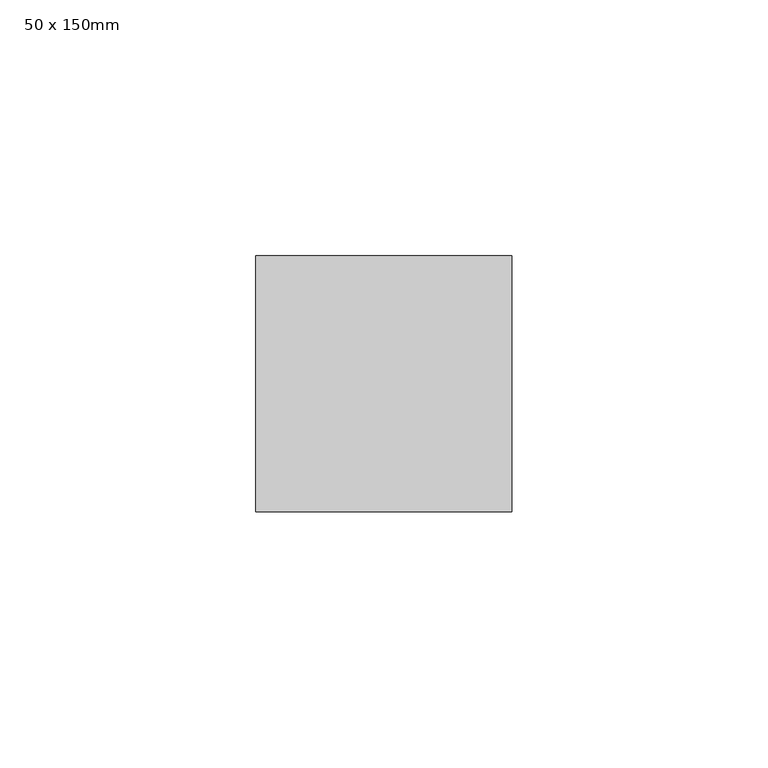
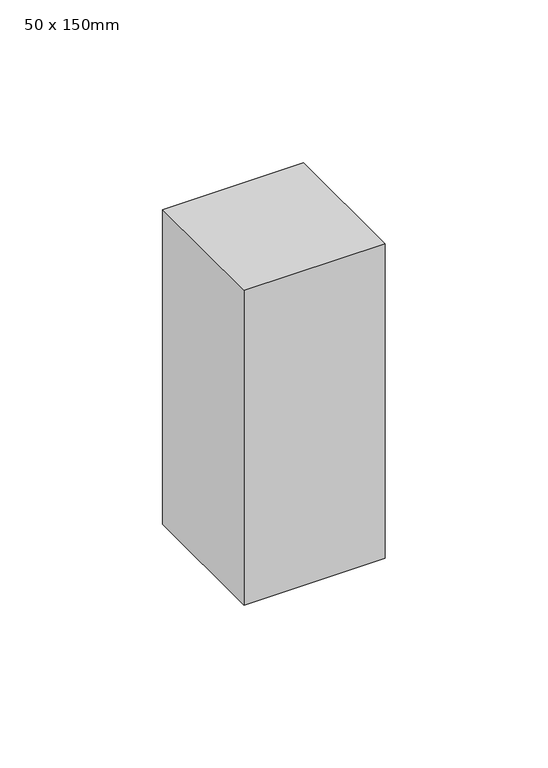
"""IFC4 building model written with IfcOpenShell, lengths in millimetres: member geometry, 50 x 150mm."""

from ifc_helpers import new_model, si_unit, frame, origin, place, context, project, spatial, polyline, outline, extrude, source, transform, mapped, element, save


def member_50_x_150mm_2387580e(model_context):
    return source(origin(), model_context, "Body", "SweptSolid", [
        extrude(outline(polyline([(25.0, 25.0), (25.0, -25.0), (-25.0, -25.0), (-25.0, 25.0), (25.0, 25.0)])), frame((0.0, 0.0, -117.9157126), z_axis=(0.0, 0.0, 1.0), x_axis=(1.0, 0.0, 0.0)), (0.0, 0.0, 1.0), 117.9157126),
    ])


if __name__ == "__main__":
    model = new_model("IFC4")
    model_context = context("Model", 3, world=origin())
    ifc_project = project(units=[si_unit("LENGTHUNIT", "METRE", prefix="MILLI")], contexts=[model_context])
    site = spatial("IfcSite", under=ifc_project)
    building = spatial("IfcBuilding", under=site)
    placement = place(None, origin())
    member_50_x_150mm_shape = member_50_x_150mm_2387580e(model_context)
    element("IfcMember", 1, ObjectType="50 x 150mm", at=placement, inside=building, context=model_context, shape_type="MappedRepresentation", body=[
        mapped(member_50_x_150mm_shape, transform((0.0, 0.0, 0.0), x_axis=(1.0, 0.0, 0.0), y_axis=(0.0, 1.0, 0.0), z_axis=(0.0, 0.0, 1.0))),
    ])
    save(model, "model.ifc")
